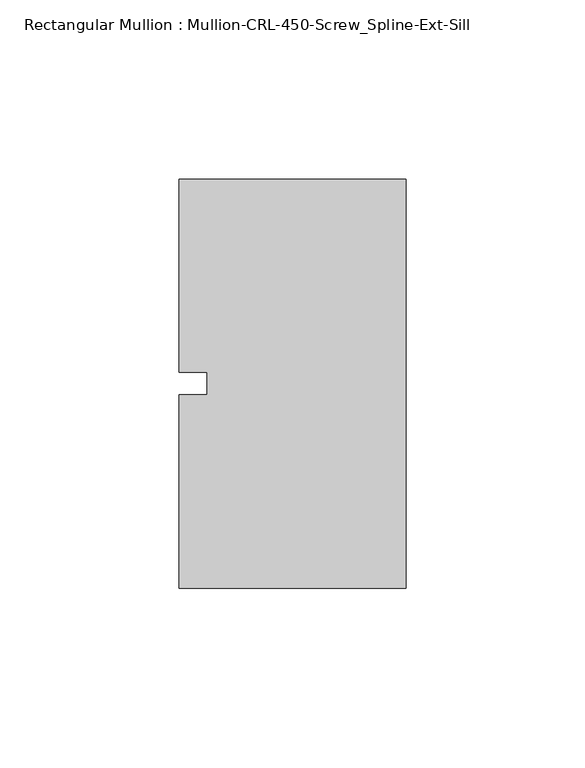
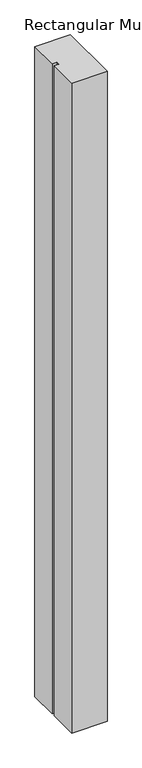
"""IFC4 building model written with IfcOpenShell, lengths in millimetres: member geometry, Rectangular Mullion : Mullion-CRL-450-Screw_Spline-Ext-Sill."""

from ifc_helpers import new_model, si_unit, frame, origin, place, context, project, spatial, polyline, outline, extrude, source, transform, mapped, element, save


def rectangular_mullion_mullion_crl_450_screw_spline_ext_sill_9912d965(model_context):
    return source(origin(), model_context, "Body", "SweptSolid", [
        extrude(outline(polyline([(-63.5, -3.175), (-55.5625, -3.175), (-55.5625, 3.175), (-63.5, 3.175), (-63.5, 57.15), (0.0, 57.15), (0.0, -57.15), (-63.5, -57.15), (-63.5, -3.175)])), frame((0.0, 0.0, -1234.0166667), z_axis=(0.0, 0.0, 1.0), x_axis=(1.0, 0.0, 0.0)), (0.0, 0.0, 1.0), 1234.0166667),
    ])


if __name__ == "__main__":
    model = new_model("IFC4")
    model_context = context("Model", 3, world=origin())
    ifc_project = project(units=[si_unit("LENGTHUNIT", "METRE", prefix="MILLI")], contexts=[model_context])
    site = spatial("IfcSite", under=ifc_project)
    building = spatial("IfcBuilding", under=site)
    placement = place(None, origin())
    rectangular_mullion_mullion_crl_450_screw_spline_ext_sill_shape = rectangular_mullion_mullion_crl_450_screw_spline_ext_sill_9912d965(model_context)
    element("IfcMember", 1, ObjectType="Rectangular Mullion : Mullion-CRL-450-Screw_Spline-Ext-Sill", at=placement, inside=building, context=model_context, shape_type="MappedRepresentation", body=[
        mapped(rectangular_mullion_mullion_crl_450_screw_spline_ext_sill_shape, transform((0.0, 0.0, 0.0), x_axis=(1.0, 0.0, 0.0), y_axis=(0.0, 1.0, 0.0), z_axis=(0.0, 0.0, 1.0))),
    ])
    save(model, "model.ifc")
